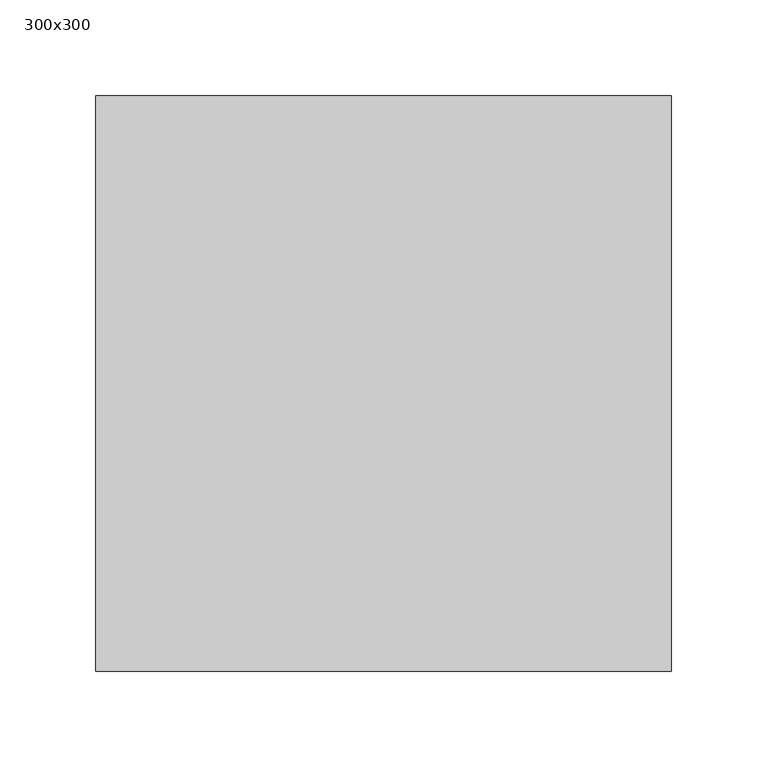
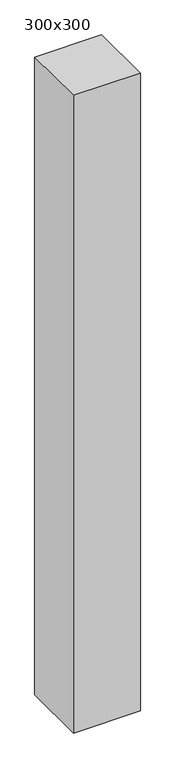
"""IFC4 building model written with IfcOpenShell, lengths in millimetres: column geometry, 300x300."""

from ifc_helpers import new_model, si_unit, frame, origin, place, context, project, spatial, polyline, outline, extrude, source, transform, mapped, element, save


def column_300x300_ca17be13(model_context):
    return source(origin(), model_context, "Body", "SweptSolid", [
        extrude(outline(polyline([(150.0, 150.0), (150.0, -150.0), (-150.0, -150.0), (-150.0, 150.0), (150.0, 150.0)])), frame((0.0, 0.0, -10040.0), z_axis=(0.0, 0.0, 1.0), x_axis=(1.0, 0.0, 0.0)), (0.0, 0.0, 1.0), 3020.0),
    ])


if __name__ == "__main__":
    model = new_model("IFC4")
    model_context = context("Model", 3, world=origin())
    ifc_project = project(units=[si_unit("LENGTHUNIT", "METRE", prefix="MILLI")], contexts=[model_context])
    site = spatial("IfcSite", under=ifc_project)
    building = spatial("IfcBuilding", under=site)
    placement = place(None, origin())
    column_300x300_shape = column_300x300_ca17be13(model_context)
    element("IfcColumn", 1, ObjectType="300x300", at=placement, inside=building, context=model_context, shape_type="MappedRepresentation", body=[
        mapped(column_300x300_shape, transform((0.0, 0.0, 0.0), x_axis=(1.0, 0.0, 0.0), y_axis=(0.0, 1.0, 0.0), z_axis=(0.0, 0.0, 1.0))),
    ])
    save(model, "model.ifc")
